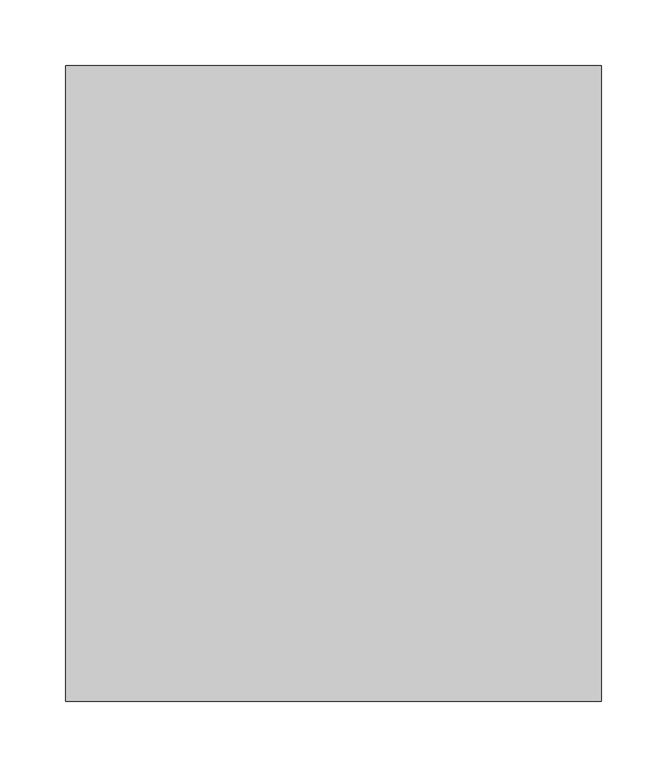
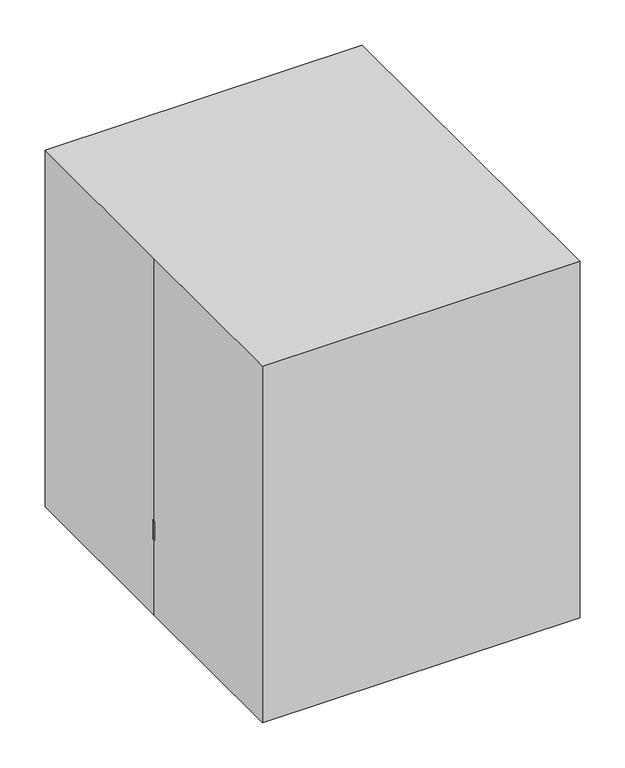
"""IFC4 building model written with IfcOpenShell, lengths in millimetres: proxy geometry."""

from ifc_helpers import new_model, si_unit, point, frame, origin, origin_with_axes, origin_2d, place, context, project, spatial, polyline, circle_curve, ellipse_curve, trimmed, segment, composite_curve, outline, extrude, source, transform, mapped, element, save
from ifc_brep_helpers import plane_surface, revolved_surface, advanced_brep


def specialty_equipment_52de397e(model_context):
    return source(origin(), model_context, "Body", "SolidModel", [
        advanced_brep(
        [(-190.5, 0.0, 127.0), (190.5, 0.0, 127.0), (0.0, 0.0, 127.0), (0.0, 0.0, 250.7121465)],
        [
            (0, 1, circle_curve(frame((0.0, 0.0, 127.0), z_axis=(0.0, 0.0, -1.0), x_axis=(1.0, 0.0, 0.0)), 190.5)),
            (1, 2),
            (2, 0),
            (1, 0, circle_curve(frame((0.0, 0.0, 127.0), z_axis=(0.0, 0.0, -1.0), x_axis=(1.0, 0.0, 0.0)), 190.5)),
            (3, 1, circle_curve(frame((1.0192663, 0.0, 43.7534679), z_axis=(0.0, 1.0, 0.0), x_axis=(1.0, 0.0, 0.0)), 206.9611885)),
            (0, 3, circle_curve(frame((-1.0192663, 0.0, 43.7534679), z_axis=(0.0, 1.0, 0.0), x_axis=(-1.0, 0.0, 0.0)), 206.9611885)),
        ],
        [
            plane_surface(frame((0.0, 0.0, 127.0), z_axis=(0.0, 0.0, -1.0), x_axis=(1.0, 0.0, 0.0))),
            revolved_surface(trimmed(ellipse_curve(frame((1.0192663, 0.0, 43.7534679), z_axis=(0.0, -1.0, 0.0), x_axis=(1.0, 0.0, 0.0)), 206.9611885, 206.9611885), [point((190.5, 0.0, 127.0))], [point((0.0, 0.0, 250.7121465))], True, "CARTESIAN"), (0.0, 0.0, 336.55), (0.0, 0.0, 1.0)),
        ],
        [
            (0, [[1, 2, 3]]),
            (0, [[4, -3, -2]]),
            (1, [[5, -1, 6]]),
            (1, [[-6, -4, -5]]),
        ],
    ),
        extrude(outline(composite_curve([segment(trimmed(circle_curve(origin_2d(), 203.2), [point((-203.2, 0.0))], [point((203.2, 0.0))], False, "CARTESIAN"), True, "CONTINUOUS"), segment(trimmed(circle_curve(origin_2d(), 203.2), [point((203.2, 0.0))], [point((-203.2, 0.0))], False, "CARTESIAN"), True, "CONTINUOUS")], self_intersect=False)), frame((0.0, 0.0, 101.6), z_axis=(0.0, 0.0, 1.0), x_axis=(1.0, 0.0, 0.0)), (0.0, 0.0, 1.0), 25.4),
        extrude(outline(composite_curve([segment(trimmed(circle_curve(origin_2d(), 190.5), [point((-190.5, 0.0))], [point((190.5, 0.0))], False, "CARTESIAN"), True, "CONTINUOUS"), segment(trimmed(circle_curve(origin_2d(), 190.5), [point((190.5, 0.0))], [point((-190.5, 0.0))], False, "CARTESIAN"), True, "CONTINUOUS")], self_intersect=False)), origin_with_axes(), (0.0, 0.0, 1.0), 101.6),
        extrude(outline(polyline([(-203.2, 241.3), (203.2, 241.3), (203.2, -241.3), (-203.2, -241.3), (-203.2, 0.0), (-203.2, 241.3)])), origin_with_axes(), (0.0, 0.0, 1.0), 482.6),
    ])


if __name__ == "__main__":
    model = new_model("IFC4")
    model_context = context("Model", 3, world=origin())
    ifc_project = project(units=[si_unit("LENGTHUNIT", "METRE", prefix="MILLI")], contexts=[model_context])
    site = spatial("IfcSite", under=ifc_project)
    building = spatial("IfcBuilding", under=site)
    placement = place(None, origin())
    specialty_equipment_shape = specialty_equipment_52de397e(model_context)
    element("IfcBuildingElementProxy", 1, Name="Specialty Equipment", at=placement, inside=building, context=model_context, shape_type="MappedRepresentation", body=[
        mapped(specialty_equipment_shape, transform((0.0, 0.0, 0.0), x_axis=(1.0, 0.0, 0.0), y_axis=(0.0, 1.0, 0.0), z_axis=(0.0, 0.0, 1.0))),
    ])
    save(model, "model.ifc")
